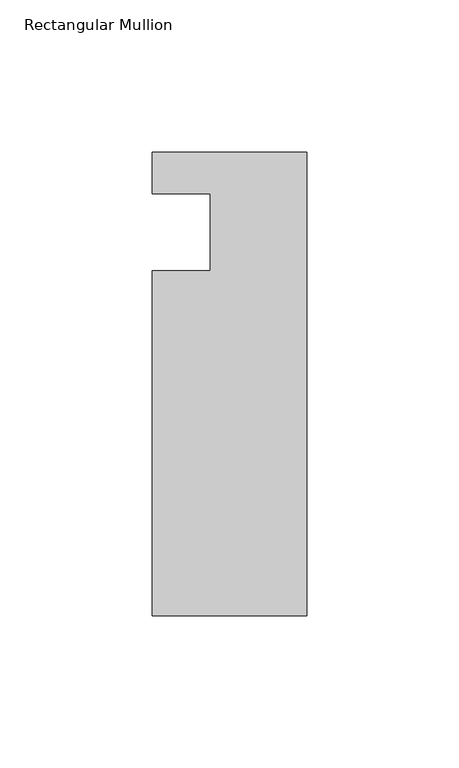
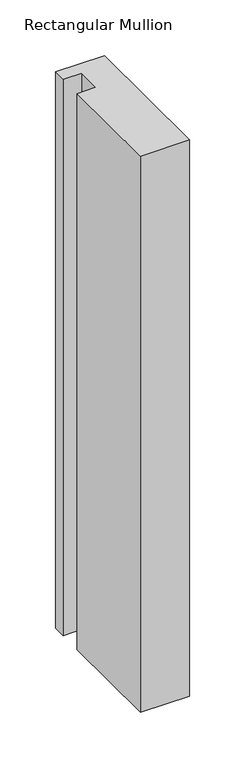
"""IFC4 building model written with IfcOpenShell, lengths in millimetres: member geometry, Rectangular Mullion."""

from ifc_helpers import new_model, si_unit, frame, origin, place, context, project, spatial, polyline, outline, extrude, source, transform, mapped, element, save


def rectangular_mullion_e7586222(model_context):
    return source(origin(), model_context, "Body", "SweptSolid", [
        extrude(outline(polyline([(-50.8, 13.6728928), (0.0, 13.6728928), (0.0, -138.7271072), (-50.8, -138.7271072), (-50.8, -25.4), (-31.75, -25.4), (-31.75, 0.0), (-50.8, 0.0), (-50.8, 13.6728928)])), frame((0.0, 0.0, -609.6), z_axis=(0.0, 0.0, 1.0), x_axis=(1.0, 0.0, 0.0)), (0.0, 0.0, 1.0), 609.6),
    ])


if __name__ == "__main__":
    model = new_model("IFC4")
    model_context = context("Model", 3, world=origin())
    ifc_project = project(units=[si_unit("LENGTHUNIT", "METRE", prefix="MILLI")], contexts=[model_context])
    site = spatial("IfcSite", under=ifc_project)
    building = spatial("IfcBuilding", under=site)
    placement = place(None, origin())
    rectangular_mullion_shape = rectangular_mullion_e7586222(model_context)
    element("IfcMember", 1, ObjectType="Rectangular Mullion", at=placement, inside=building, context=model_context, shape_type="MappedRepresentation", body=[
        mapped(rectangular_mullion_shape, transform((0.0, 0.0, 0.0), x_axis=(1.0, 0.0, 0.0), y_axis=(0.0, 1.0, 0.0), z_axis=(0.0, 0.0, 1.0))),
    ])
    save(model, "model.ifc")
